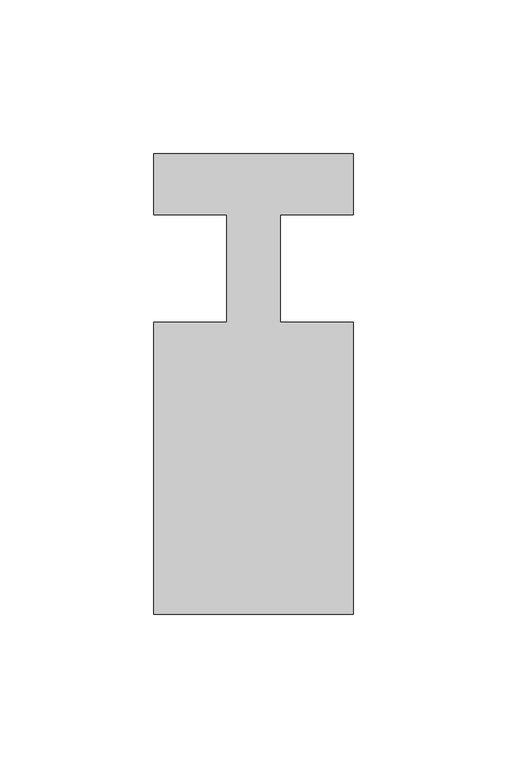
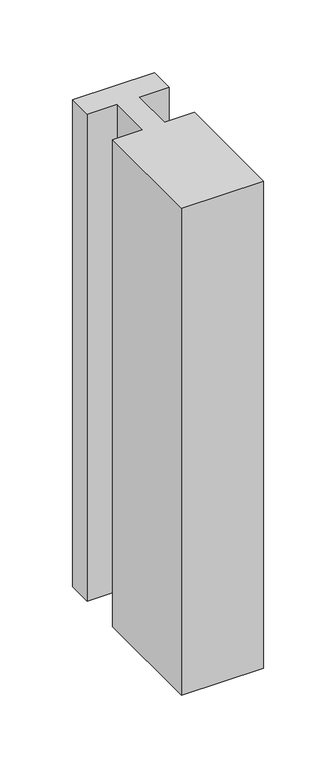
"""IFC4 building model written with IfcOpenShell, lengths in millimetres: member geometry."""

from ifc_helpers import new_model, si_unit, frame, origin, place, context, project, spatial, polyline, outline, extrude, source, transform, mapped, element, save


def member_3515493d(model_context):
    return source(origin(), model_context, "Body", "SweptSolid", [
        extrude(outline(polyline([(-65.0, 37.0), (0.0, 37.0), (0.0, 17.0), (-23.8125, 17.0), (-23.8125, -18.0), (0.0, -18.0), (0.0, -113.0), (-65.0, -113.0), (-65.0, -18.0), (-41.1875, -18.0), (-41.1875, 17.0), (-65.0, 17.0), (-65.0, 37.0)])), frame((0.0, 0.0, -408.8125), z_axis=(0.0, 0.0, 1.0), x_axis=(1.0, 0.0, 0.0)), (0.0, 0.0, 1.0), 408.8125),
    ])


if __name__ == "__main__":
    model = new_model("IFC4")
    model_context = context("Model", 3, world=origin())
    ifc_project = project(units=[si_unit("LENGTHUNIT", "METRE", prefix="MILLI")], contexts=[model_context])
    site = spatial("IfcSite", under=ifc_project)
    building = spatial("IfcBuilding", under=site)
    placement = place(None, origin())
    member_shape = member_3515493d(model_context)
    element("IfcMember", 1, at=placement, inside=building, context=model_context, shape_type="MappedRepresentation", body=[
        mapped(member_shape, transform((0.0, 0.0, 0.0), x_axis=(1.0, 0.0, 0.0), y_axis=(0.0, 1.0, 0.0), z_axis=(0.0, 0.0, 1.0))),
    ])
    save(model, "model.ifc")
